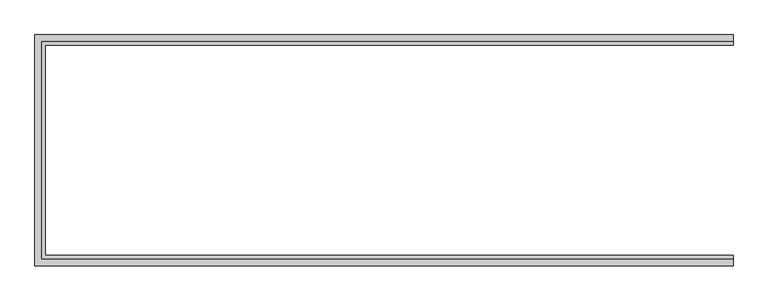
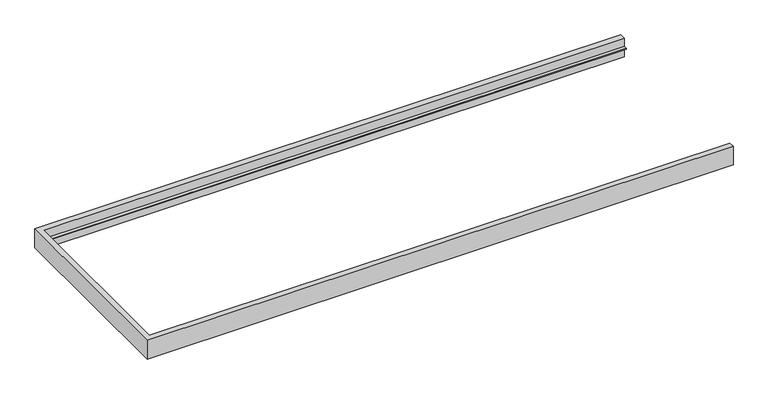
"""IFC4 building model written with IfcOpenShell, lengths in millimetres: member geometry."""

from ifc_helpers import new_model, si_unit, origin, place, context, project, spatial, faceted_brep, source, transform, mapped, element, save


def member_2c668ddb(model_context):
    return source(origin(), model_context, "Body", "Brep", [
        faceted_brep([(1487.5, 465.0, -50.0), (1487.5, 493.0, -50.0), (1487.5, 493.0, 50.0), (1487.5, 465.0, 50.0), (1487.5, 465.0, 5.0), (1487.5, 448.0, 5.0), (1487.5, 448.0, 0.0), (1487.5, 465.0, 0.0), (-1487.5, -493.0, 50.0), (-1487.5, 493.0, 50.0), (-1487.5, 493.0, -50.0), (-1487.5, -493.0, -50.0), (-1442.5, 448.0, 5.0), (-1442.5, 448.0, 0.0), (1487.5, -493.0, 50.0), (1487.5, -465.0, 50.0), (-1459.5, -465.0, 50.0), (-1459.5, 465.0, 50.0), (-1459.5, 465.0, -50.0), (-1459.5, -465.0, -50.0), (1487.5, -465.0, -50.0), (1487.5, -493.0, -50.0), (-1442.5, -448.0, 5.0), (-1442.5, -448.0, 0.0), (1487.5, -465.0, 0.0), (1487.5, -448.0, 0.0), (1487.5, -448.0, 5.0), (1487.5, -465.0, 5.0), (-1459.5, -465.0, 5.0), (-1459.5, -465.0, 0.0), (-1459.5, 465.0, 5.0), (-1459.5, 465.0, 0.0)], [[[0, 1, 2, 3, 4, 5, 6, 7]], [[8, 9, 10, 11]], [[6, 5, 12, 13]], [[3, 2, 9, 8, 14, 15, 16, 17]], [[2, 1, 10, 9]], [[1, 0, 18, 19, 20, 21, 11, 10]], [[14, 8, 11, 21]], [[13, 12, 22, 23]], [[20, 24, 25, 26, 27, 15, 14, 21]], [[26, 25, 23, 22]], [[15, 27, 28, 16]], [[29, 24, 20, 19]], [[28, 30, 17, 16]], [[18, 31, 29, 19]], [[4, 3, 17, 30]], [[5, 4, 30, 28, 27, 26, 22, 12]], [[7, 6, 13, 23, 25, 24, 29, 31]], [[0, 7, 31, 18]]]),
    ])


if __name__ == "__main__":
    model = new_model("IFC4")
    model_context = context("Model", 3, world=origin())
    ifc_project = project(units=[si_unit("LENGTHUNIT", "METRE", prefix="MILLI")], contexts=[model_context])
    site = spatial("IfcSite", under=ifc_project)
    building = spatial("IfcBuilding", under=site)
    placement = place(None, origin())
    member_shape = member_2c668ddb(model_context)
    element("IfcMember", 1, at=placement, inside=building, context=model_context, shape_type="MappedRepresentation", body=[
        mapped(member_shape, transform((0.0, 0.0, 0.0), x_axis=(1.0, 0.0, 0.0), y_axis=(0.0, 1.0, 0.0), z_axis=(0.0, 0.0, 1.0))),
    ])
    save(model, "model.ifc")
